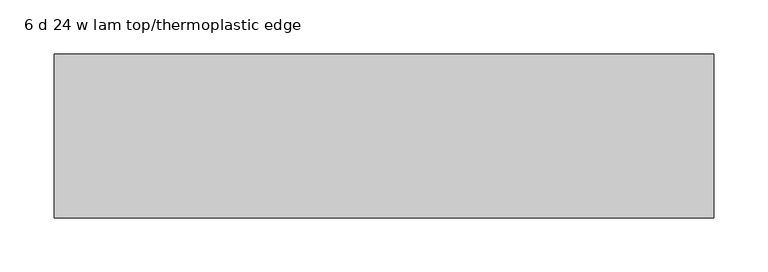
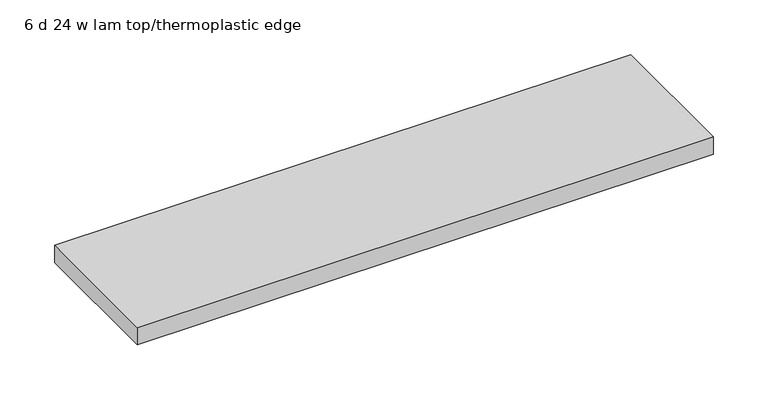
"""IFC4 building model written with IfcOpenShell, lengths in millimetres: furniture geometry, 6 d 24 w lam top/thermoplastic edge."""

import ifcopenshell
import ifcopenshell.guid

model = None  # the IFC model being written
_history = None  # IfcOwnerHistory: only IFC2X3 demands one
_inside = {}  # id of a spatial element -> (the spatial element, [elements in it])
_under = {}  # id of a project, library or spatial element -> (it, [spatial elements below it])
_declared = {}  # id of a project -> (the project, [libraries it declares])
_typed = {}  # id of a type object -> (the type object, [elements of that type])
_made_of = {}  # id of a material, layer set ... -> (it, [elements and type objects made of it])


def new_model(schema):
    """Start an empty IFC model of exactly this schema.

    Asked for "IFC4X3", IfcOpenShell would pick the latest addendum, in which some entities
    have other attributes; the version numbers below select the first issue.
    IFC2X3 requires an IfcOwnerHistory on every rooted entity: one is made here for all.
    """
    global model, _history
    if schema == "IFC4X3":
        model = ifcopenshell.file(schema_version=(4, 3, 0, 0))
    else:
        model = ifcopenshell.file(schema=schema)
    _inside.clear()
    _under.clear()
    _declared.clear()
    _typed.clear()
    _made_of.clear()
    _history = None
    if model.schema == "IFC2X3":
        org = make("IfcOrganization", Name="unknown")
        user = make(
            "IfcPersonAndOrganization",
            ThePerson=make("IfcPerson", FamilyName="unknown"),
            TheOrganization=org,
        )
        app = make(
            "IfcApplication",
            ApplicationDeveloper=org,
            Version="unknown",
            ApplicationFullName="unknown",
            ApplicationIdentifier="unknown",
        )
        _history = make(
            "IfcOwnerHistory",
            OwningUser=user,
            OwningApplication=app,
            ChangeAction="ADDED",
            CreationDate=0,
        )
    return model


def make(cls, **values):
    """One entity of the class cls with the attributes given. An attribute that is None is left unset."""
    return model.create_entity(
        cls, **{name: value for name, value in values.items() if value is not None}
    )


def rooted(cls, **values):
    """An entity with a GlobalId (a new one), such as an element, a storey or a relation."""
    return make(cls, GlobalId=ifcopenshell.guid.new(), OwnerHistory=_history, **values)


def si_unit(unit_type, name, prefix=None):
    """IfcSIUnit, for example si_unit("LENGTHUNIT", "METRE", prefix="MILLI")."""
    return make("IfcSIUnit", UnitType=unit_type, Prefix=prefix, Name=name)


def assignment(units):
    """IfcUnitAssignment: the units of a project."""
    return None if units is None else make("IfcUnitAssignment", Units=units)


def point(xyz):
    """IfcCartesianPoint."""
    return None if xyz is None else make("IfcCartesianPoint", Coordinates=xyz)


def direction(xyz):
    """IfcDirection."""
    return None if xyz is None else make("IfcDirection", DirectionRatios=xyz)


def frame(location, z_axis=None, x_axis=None):
    """IfcAxis2Placement3D, a coordinate frame: its origin and axes. An axis left out is left unset."""
    return make(
        "IfcAxis2Placement3D",
        Location=point(location),
        Axis=direction(z_axis),
        RefDirection=direction(x_axis),
    )


def origin():
    """The frame at (0, 0, 0) with its axes left unset."""
    return frame((0.0, 0.0, 0.0))


def place(relative_to, where):
    """IfcLocalPlacement: puts the frame where relative to a parent placement (None: the world)."""
    return make(
        "IfcLocalPlacement", PlacementRelTo=relative_to, RelativePlacement=where
    )


def context(
    kind, dimensions, precision=None, world=None, true_north=None, identifier=None
):
    """IfcGeometricRepresentationContext, for example the 3D "Model" context."""
    return make(
        "IfcGeometricRepresentationContext",
        ContextIdentifier=identifier,
        ContextType=kind,
        CoordinateSpaceDimension=dimensions,
        Precision=precision,
        WorldCoordinateSystem=world,
        TrueNorth=true_north,
    )


def project(units=None, contexts=None):
    """IfcProject with its units and contexts."""
    return rooted(
        "IfcProject",
        Name="project",
        RepresentationContexts=contexts,
        UnitsInContext=assignment(units),
    )


def spatial(cls, under=None, at=None, **own):
    """A site, building, storey or space (cls), placed at a placement, below another one or the project."""
    s = rooted(cls, ObjectPlacement=at, **own)
    if under is not None:
        _under.setdefault(under.id(), (under, []))[1].append(s)
    return s


def polyline(points):
    """IfcPolyline through the points."""
    return make("IfcPolyline", Points=[point(p) for p in points])


def circle_curve(where, radius):
    """IfcCircle in the frame where."""
    return make("IfcCircle", Position=where, Radius=radius)


def outline(outer, holes=None, kind="AREA"):
    """IfcArbitraryClosedProfileDef: a profile drawn as a closed curve; with holes, ...WithVoids."""
    if holes is None:
        return make("IfcArbitraryClosedProfileDef", ProfileType=kind, OuterCurve=outer)
    return make(
        "IfcArbitraryProfileDefWithVoids",
        ProfileType=kind,
        OuterCurve=outer,
        InnerCurves=holes,
    )


def extrude(swept, where, along, depth):
    """IfcExtrudedAreaSolid: the profile swept, set in the frame where, extruded along a direction by depth."""
    return make(
        "IfcExtrudedAreaSolid",
        SweptArea=swept,
        Position=where,
        ExtrudedDirection=direction(along),
        Depth=depth,
    )


def shape(context_of_items, identifier, shape_type, items):
    """IfcShapeRepresentation: the items that make up one representation, for example the "Body"."""
    return make(
        "IfcShapeRepresentation",
        ContextOfItems=context_of_items,
        RepresentationIdentifier=identifier,
        RepresentationType=shape_type,
        Items=items,
    )


def source(mapping_origin, context_of_items, identifier, shape_type, items):
    """IfcRepresentationMap: a shape defined once, which mapped items show again and again."""
    return make(
        "IfcRepresentationMap",
        MappingOrigin=mapping_origin,
        MappedRepresentation=shape(context_of_items, identifier, shape_type, items),
    )


def transform(
    local_origin,
    x_axis=None,
    y_axis=None,
    z_axis=None,
    scale=None,
    scale2=None,
    scale3=None,
    uniform=True,
):
    """IfcCartesianTransformationOperator3D, or its non-uniform kind. x_axis, y_axis, z_axis: its Axis1, 2, 3."""
    if uniform:
        return make(
            "IfcCartesianTransformationOperator3D",
            Axis1=direction(x_axis),
            Axis2=direction(y_axis),
            LocalOrigin=point(local_origin),
            Scale=scale,
            Axis3=direction(z_axis),
        )
    return make(
        "IfcCartesianTransformationOperator3DnonUniform",
        Axis1=direction(x_axis),
        Axis2=direction(y_axis),
        LocalOrigin=point(local_origin),
        Scale=scale,
        Axis3=direction(z_axis),
        Scale2=scale2,
        Scale3=scale3,
    )


def mapped(mapping_source, mapping_target):
    """IfcMappedItem: shows the shape of a source again, moved by a transform."""
    return make(
        "IfcMappedItem", MappingSource=mapping_source, MappingTarget=mapping_target
    )


def made_of(thing, what):
    """Note that an element or type object is made of a material, layer set ...; save() writes the relation."""
    if what is not None:
        _made_of.setdefault(what.id(), (what, []))[1].append(thing)
    return thing


def element(
    cls,
    number,
    at=None,
    inside=None,
    cuts=None,
    type_object=None,
    material=None,
    context=None,
    identifier="Body",
    shape_type=None,
    held_by="IfcProductDefinitionShape",
    body=None,
    shapes=None,
    **own,
):
    """One element of the class cls, such as IfcWall. Its Tag is "e" and its number.

    at: its placement. inside: the storey or other place that contains it. cuts: it is an
    opening in that element (IfcRelVoidsElement). A single representation is given by context,
    identifier, shape_type and body (its items); several are given by shapes. held_by: the class
    of the entity that holds the representations. save() writes the other relations.
    """
    e = rooted(cls, Tag="e%d" % number, ObjectPlacement=at, **own)
    if body is not None:
        shapes = [shape(context, identifier, shape_type, body)]
    if shapes is not None:
        e.Representation = make(held_by, Representations=shapes)
    if inside is not None:
        _inside.setdefault(inside.id(), (inside, []))[1].append(e)
    if cuts is not None:
        rooted(
            "IfcRelVoidsElement", RelatingBuildingElement=cuts, RelatedOpeningElement=e
        )
    if type_object is not None:
        _typed.setdefault(type_object.id(), (type_object, []))[1].append(e)
    return made_of(e, material)


def aggregate(whole, parts):
    """IfcRelAggregates: a whole, such as a stair, and the parts it consists of."""
    return rooted("IfcRelAggregates", RelatingObject=whole, RelatedObjects=parts)


def save(model, path):
    """Write the relations noted so far, then the file.

    IfcRelAggregates (storeys below a building ...), IfcRelContainedInSpatialStructure (elements
    in a storey), IfcRelDefinesByType, IfcRelAssociatesMaterial and IfcRelDeclares: one each for
    every whole, place, type object, material and project.
    """
    for whole, parts in _under.values():
        aggregate(whole, parts)
    for where, things in _inside.values():
        rooted(
            "IfcRelContainedInSpatialStructure",
            RelatedElements=things,
            RelatingStructure=where,
        )
    for kind, things in _typed.values():
        rooted("IfcRelDefinesByType", RelatedObjects=things, RelatingType=kind)
    for what, things in _made_of.values():
        rooted("IfcRelAssociatesMaterial", RelatedObjects=things, RelatingMaterial=what)
    for by, libraries in _declared.values():
        rooted("IfcRelDeclares", RelatingContext=by, RelatedDefinitions=libraries)
    model.write(path)


def plane_surface(at):
    """IfcPlane: the flat surface through the origin of the frame at, square to its z axis."""
    return make("IfcPlane", Position=at)


def cylinder_surface(at, radius):
    """IfcCylindricalSurface: all points at the distance radius from the z axis of the frame at."""
    return make("IfcCylindricalSurface", Position=at, Radius=radius)


def advanced_brep(points, edges, surfaces, faces):
    """IfcAdvancedBrep: a solid bounded by faces that lie on surfaces and meet in shared edges.

    An edge is (start, end): straight between two places in points (the first is 0);
    or (start, end, curve); or (start, end, curve, False) where it runs against its curve.
    A face is (place in surfaces, loops), or (place, loops, False) where it looks against
    its surface's normal. A loop lists edges by number (the first is 1), with a minus sign
    where the edge is run from its end to its start. The first loop is the outer one.
    """
    corners = [point(p) for p in points]
    vertices = [make("IfcVertexPoint", VertexGeometry=c) for c in corners]
    made = []
    for start, end, *more in edges:
        made.append(
            make(
                "IfcEdgeCurve",
                EdgeStart=vertices[start],
                EdgeEnd=vertices[end],
                EdgeGeometry=more[0] if more else make("IfcPolyline", Points=[corners[start], corners[end]]),
                SameSense=more[1] if len(more) > 1 else True,
            )
        )
    hull = []
    for where, loops, *sense in faces:
        bounds = []
        for j, loop in enumerate(loops):
            ring = [make("IfcOrientedEdge", EdgeElement=made[abs(k) - 1], Orientation=k > 0) for k in loop]
            bounds.append(
                make(
                    "IfcFaceOuterBound" if j == 0 else "IfcFaceBound",
                    Bound=make("IfcEdgeLoop", EdgeList=ring),
                    Orientation=True,
                )
            )
        hull.append(make("IfcAdvancedFace", Bounds=bounds, FaceSurface=surfaces[where], SameSense=sense[0] if sense else True))
    return make("IfcAdvancedBrep", Outer=make("IfcClosedShell", CfsFaces=hull))


def furniture_6_d_24_w_lam_top_thermoplastic_edge_91fc5416(model_context):
    return source(origin(), model_context, "Body", "SolidModel", [
        advanced_brep(
        [(56.9043119, -66.675, 675.8945726), (39.6381329, -66.675, 675.8945726), (38.1, -65.1368671, 675.8945726), (38.1, 65.1368671, 675.8945726), (39.6381329, 66.675, 675.8945726), (56.9043119, 66.675, 675.8945726), (58.4199988, 65.1593131, 675.8945726), (58.4199988, -65.1593131, 675.8945726), (45.2146502, 53.5088115, 675.8945726), (45.2146502, 39.4551862, 675.8945726), (51.3053486, 39.4551862, 675.8945726), (51.3053486, 53.5088115, 675.8945726), (45.2146502, -53.5088115, 675.8945726), (51.3053486, -53.5088115, 675.8945726), (51.3053486, -39.4551862, 675.8945726), (45.2146502, -39.4551862, 675.8945726), (38.3203123, 7.5906778, 675.8945726), (38.3203123, -7.5906778, 675.8945726), (58.1814005, -7.5906778, 675.8945726), (58.1814005, 7.5906778, 675.8945726), (56.9043119, -66.675, 682.2446211), (58.4199988, -65.1593131, 682.2446211), (58.4199988, 65.1593131, 682.2446211), (56.9043119, 66.675, 682.2446211), (39.6381329, 66.675, 682.2446211), (38.1, 65.1368671, 682.2446211), (38.1, -65.1368671, 682.2446211), (39.6381329, -66.675, 682.2446211), (45.2146502, 53.5088115, 665.9945955), (51.3053486, 53.5088115, 665.9945955), (51.3053486, 39.4551862, 665.9945955), (45.2146502, 39.4551862, 665.9945955), (45.2146502, -53.5088115, 665.9945955), (45.2146502, -39.4551862, 665.9945955), (51.3053486, -39.4551862, 665.9945955), (51.3053486, -53.5088115, 665.9945955), (38.3203123, 6.8479071, 667.9597372), (38.3203123, 5.8485166, 666.9946072), (38.3203123, -5.8485166, 666.9946072), (38.3203123, -6.8479071, 667.9597372), (38.3203123, -7.1081491, 675.412044), (38.3203123, 7.1081491, 675.412044), (58.1814005, 6.8479071, 667.9597372), (58.1814005, 7.1081491, 675.412044), (58.1814005, -7.1081491, 675.412044), (58.1814005, -6.8479071, 667.9597372), (58.1814005, -5.8485166, 666.9946072), (58.1814005, 5.8485166, 666.9946072)],
        [
            (0, 1),
            (1, 2, circle_curve(frame((39.6381329, -65.1368671, 675.8945726), z_axis=(0.0, 0.0, -1.0), x_axis=(-1.0, 0.0, 0.0)), 1.5381329)),
            (2, 3),
            (3, 4, circle_curve(frame((39.6381329, 65.1368671, 675.8945726), z_axis=(0.0, 0.0, -1.0), x_axis=(-1.0, 0.0, 0.0)), 1.5381329)),
            (4, 5),
            (5, 6, circle_curve(frame((56.9043119, 65.1593131, 675.8945726), z_axis=(0.0, 0.0, -1.0), x_axis=(-1.0, 0.0, 0.0)), 1.5156869)),
            (6, 7),
            (7, 0, circle_curve(frame((56.9043119, -65.1593131, 675.8945726), z_axis=(0.0, 0.0, -1.0), x_axis=(-1.0, 0.0, 0.0)), 1.5156869)),
            (8, 9, circle_curve(frame((48.2600014, 46.4819988, 675.8945726), z_axis=(0.0, 0.0, 1.0), x_axis=(-1.0, 0.0, 0.0)), 7.6583457)),
            (9, 10),
            (10, 11, circle_curve(frame((48.2599974, 46.4819988, 675.8945726), z_axis=(0.0, 0.0, 1.0), x_axis=(-1.0, 0.0, 0.0)), 7.6583457)),
            (11, 8),
            (12, 13),
            (13, 14, circle_curve(frame((48.2599974, -46.4819988, 675.8945726), z_axis=(0.0, 0.0, 1.0), x_axis=(-1.0, 0.0, 0.0)), 7.6583457)),
            (14, 15),
            (15, 12, circle_curve(frame((48.2600014, -46.4819988, 675.8945726), z_axis=(0.0, 0.0, 1.0), x_axis=(-1.0, 0.0, 0.0)), 7.6583457)),
            (16, 17),
            (17, 18),
            (18, 19),
            (19, 16),
            (20, 21, circle_curve(frame((56.9043119, -65.1593131, 682.2446211), z_axis=(0.0, 0.0, 1.0), x_axis=(-1.0, 0.0, 0.0)), 1.5156869)),
            (21, 22),
            (22, 23, circle_curve(frame((56.9043119, 65.1593131, 682.2446211), z_axis=(0.0, 0.0, 1.0), x_axis=(-1.0, 0.0, 0.0)), 1.5156869)),
            (23, 24),
            (24, 25, circle_curve(frame((39.6381329, 65.1368671, 682.2446211), z_axis=(0.0, 0.0, 1.0), x_axis=(-1.0, 0.0, 0.0)), 1.5381329)),
            (25, 26),
            (26, 27, circle_curve(frame((39.6381329, -65.1368671, 682.2446211), z_axis=(0.0, 0.0, 1.0), x_axis=(-1.0, 0.0, 0.0)), 1.5381329)),
            (27, 20),
            (7, 21),
            (20, 0),
            (6, 22),
            (5, 23),
            (4, 24),
            (3, 25),
            (2, 26),
            (1, 27),
            (28, 29),
            (29, 30, circle_curve(frame((48.2599974, 46.4819988, 665.9945955), z_axis=(0.0, 0.0, -1.0), x_axis=(-1.0, 0.0, 0.0)), 7.6583457)),
            (30, 31),
            (31, 28, circle_curve(frame((48.2600014, 46.4819988, 665.9945955), z_axis=(0.0, 0.0, -1.0), x_axis=(-1.0, 0.0, 0.0)), 7.6583457)),
            (32, 33, circle_curve(frame((48.2600014, -46.4819988, 665.9945955), z_axis=(0.0, 0.0, -1.0), x_axis=(-1.0, 0.0, 0.0)), 7.6583457)),
            (33, 34),
            (34, 35, circle_curve(frame((48.2599974, -46.4819988, 665.9945955), z_axis=(0.0, 0.0, -1.0), x_axis=(-1.0, 0.0, 0.0)), 7.6583457)),
            (35, 32),
            (31, 9),
            (8, 28),
            (30, 10),
            (29, 11),
            (35, 13),
            (12, 32),
            (34, 14),
            (33, 15),
            (36, 37),
            (37, 38),
            (38, 39),
            (39, 40),
            (40, 17),
            (16, 41),
            (41, 36),
            (42, 43),
            (43, 19),
            (18, 44),
            (44, 45),
            (45, 46),
            (46, 47),
            (47, 42),
            (36, 42),
            (47, 37),
            (46, 38),
            (45, 39),
            (44, 40),
            (43, 41),
        ],
        [
            plane_surface(frame((55.388625, -65.1593131, 675.8945726), z_axis=(0.0, 0.0, -1.0), x_axis=(0.0, 1.0, 0.0))),
            plane_surface(frame((55.388625, -65.1593131, 682.2446211), z_axis=(0.0, 0.0, 1.0), x_axis=(0.0, -1.0, 0.0))),
            cylinder_surface(frame((56.9043119, -65.1593131, 675.8945726), z_axis=(0.0, 0.0, 1.0), x_axis=(-1.0, 0.0, 0.0)), 1.5156869),
            plane_surface(frame((58.4199988, -65.1593131, 682.2446211), z_axis=(1.0, 0.0, 0.0), x_axis=(0.0, 0.0, -1.0))),
            cylinder_surface(frame((56.9043119, 65.1593131, 675.8945726), z_axis=(0.0, 0.0, 1.0), x_axis=(-1.0, 0.0, 0.0)), 1.5156869),
            plane_surface(frame((56.9043119, 66.675, 682.2446211), z_axis=(0.0, 1.0, 0.0), x_axis=(0.0, 0.0, -1.0))),
            cylinder_surface(frame((39.6381329, 65.1368671, 675.8945726), z_axis=(0.0, 0.0, 1.0), x_axis=(-1.0, 0.0, 0.0)), 1.5381329),
            plane_surface(frame((38.1, 65.1368671, 682.2446211), z_axis=(-1.0, 0.0, 0.0), x_axis=(0.0, 0.0, -1.0))),
            cylinder_surface(frame((39.6381329, -65.1368671, 675.8945726), z_axis=(0.0, 0.0, 1.0), x_axis=(-1.0, 0.0, 0.0)), 1.5381329),
            plane_surface(frame((39.6381329, -66.675, 682.2446211), z_axis=(0.0, -1.0, 0.0), x_axis=(0.0, 0.0, -1.0))),
            plane_surface(frame((40.6016556, 46.4819988, 665.9945955), z_axis=(0.0, 0.0, -1.0), x_axis=(0.0, 1.0, 0.0))),
            cylinder_surface(frame((48.2600014, 46.4819988, 665.9945955), z_axis=(0.0, 0.0, 1.0), x_axis=(-1.0, 0.0, 0.0)), 7.6583457),
            plane_surface(frame((45.2146502, 39.4551862, 682.2446211), z_axis=(0.0, -1.0, 0.0), x_axis=(0.0, 0.0, -1.0))),
            cylinder_surface(frame((48.2599974, 46.4819988, 665.9945955), z_axis=(0.0, 0.0, 1.0), x_axis=(-1.0, 0.0, 0.0)), 7.6583457),
            plane_surface(frame((51.3053486, 53.5088115, 682.2446211), z_axis=(0.0, 1.0, 0.0), x_axis=(0.0, 0.0, -1.0))),
            plane_surface(frame((45.2146502, -53.5088115, 682.2446211), z_axis=(0.0, -1.0, 0.0), x_axis=(0.0, 0.0, -1.0))),
            cylinder_surface(frame((48.2599974, -46.4819988, 682.2446211), z_axis=(0.0, 0.0, 1.0), x_axis=(-1.0, 0.0, 0.0)), 7.6583457),
            plane_surface(frame((51.3053486, -39.4551862, 682.2446211), z_axis=(0.0, 1.0, 0.0), x_axis=(0.0, 0.0, -1.0))),
            cylinder_surface(frame((48.2600014, -46.4819988, 682.2446211), z_axis=(0.0, 0.0, 1.0), x_axis=(-1.0, 0.0, 0.0)), 7.6583457),
            plane_surface(frame((38.3203123, 5.8485166, 666.9946072), z_axis=(-1.0, 0.0, 0.0), x_axis=(0.0, -0.7193290739324713, -0.6946694778061387))),
            plane_surface(frame((58.1814005, 5.8485166, 666.9946072), z_axis=(1.0, 0.0, 0.0), x_axis=(0.0, 0.7193290739324713, 0.6946694778061387))),
            plane_surface(frame((38.3203123, 6.8479071, 667.9597372), z_axis=(0.0, 0.6946694778061387, -0.7193290739324713), x_axis=(1.0, 0.0, 0.0))),
            plane_surface(frame((38.3203123, 5.8485166, 666.9946072), z_axis=(0.0, 0.0, -1.0), x_axis=(1.0, 0.0, 0.0))),
            plane_surface(frame((38.3203123, -5.8485166, 666.9946072), z_axis=(0.0, -0.6946694778061387, -0.7193290739324713), x_axis=(1.0, 0.0, 0.0))),
            plane_surface(frame((38.3203123, -6.8479071, 667.9597372), z_axis=(0.0, -0.9993908190224847, -0.0348997256947267), x_axis=(1.0, 0.0, 0.0))),
            plane_surface(frame((38.3203123, -7.1081491, 675.412044), z_axis=(0.0, -0.7071067811865376, -0.7071067811865576), x_axis=(1.0, 0.0, 0.0))),
            plane_surface(frame((38.3203123, 8.0809822, 676.384877), z_axis=(0.0, 0.7071067811865414, -0.7071067811865537), x_axis=(1.0, 0.0, 0.0))),
            plane_surface(frame((38.3203123, 7.1081491, 675.412044), z_axis=(0.0, 0.9993908190224848, -0.034899725694726644), x_axis=(1.0, 0.0, 0.0))),
        ],
        [
            (0, [[1, 2, 3, 4, 5, 6, 7, 8], [9, 10, 11, 12], [13, 14, 15, 16], [17, 18, 19, 20]]),
            (1, [[21, 22, 23, 24, 25, 26, 27, 28]]),
            (2, [[-8, 29, -21, 30]]),
            (3, [[-7, 31, -22, -29]]),
            (4, [[-6, 32, -23, -31]]),
            (5, [[-5, 33, -24, -32]]),
            (6, [[-4, 34, -25, -33]]),
            (7, [[-3, 35, -26, -34]]),
            (8, [[-2, 36, -27, -35]]),
            (9, [[-1, -30, -28, -36]]),
            (10, [[37, 38, 39, 40]]),
            (10, [[41, 42, 43, 44]]),
            (11, [[-40, 45, -9, 46]]),
            (12, [[-39, 47, -10, -45]]),
            (13, [[-38, 48, -11, -47]]),
            (14, [[-37, -46, -12, -48]]),
            (15, [[-44, 49, -13, 50]]),
            (16, [[-43, 51, -14, -49]]),
            (17, [[-42, 52, -15, -51]]),
            (18, [[-41, -50, -16, -52]]),
            (19, [[53, 54, 55, 56, 57, -17, 58, 59]]),
            (20, [[60, 61, -19, 62, 63, 64, 65, 66]]),
            (21, [[-53, 67, -66, 68]]),
            (22, [[-54, -68, -65, 69]]),
            (23, [[-55, -69, -64, 70]]),
            (24, [[-56, -70, -63, 71]]),
            (25, [[-71, -62, -18, -57]]),
            (26, [[72, -58, -20, -61]]),
            (27, [[-59, -72, -60, -67]]),
        ],
    ),
        advanced_brep(
        [(552.6956881, -66.675, 675.8945726), (551.1800012, -65.1593131, 675.8945726), (551.1800012, 65.1593131, 675.8945726), (552.6956881, 66.675, 675.8945726), (569.9618671, 66.675, 675.8945726), (571.5, 65.1368671, 675.8945726), (571.5, -65.1368671, 675.8945726), (569.9618671, -66.675, 675.8945726), (564.3853498, 53.5088115, 675.8945726), (558.2946514, 53.5088115, 675.8945726), (558.2946514, 39.4551862, 675.8945726), (564.3853498, 39.4551862, 675.8945726), (564.3853498, -53.5088115, 675.8945726), (564.3853498, -39.4551862, 675.8945726), (558.2946514, -39.4551862, 675.8945726), (558.2946514, -53.5088115, 675.8945726), (571.2796877, -7.5906778, 675.8945726), (571.2796877, 7.5906778, 675.8945726), (551.4185995, 7.5906778, 675.8945726), (551.4185995, -7.5906778, 675.8945726), (552.6956881, -66.675, 682.2446211), (569.9618671, -66.675, 682.2446211), (571.5, -65.1368671, 682.2446211), (571.5, 65.1368671, 682.2446211), (569.9618671, 66.675, 682.2446211), (552.6956881, 66.675, 682.2446211), (551.1800012, 65.1593131, 682.2446211), (551.1800012, -65.1593131, 682.2446211), (564.3853498, 53.5088115, 665.9945955), (564.3853498, 39.4551862, 665.9945955), (558.2946514, 39.4551862, 665.9945955), (558.2946514, 53.5088115, 665.9945955), (564.3853498, -53.5088115, 665.9945955), (558.2946514, -53.5088115, 665.9945955), (558.2946514, -39.4551862, 665.9945955), (564.3853498, -39.4551862, 665.9945955), (571.2796877, 6.8479071, 667.9597372), (571.2796877, 7.1081491, 675.412044), (571.2796877, -7.1081491, 675.412044), (571.2796877, -6.8479071, 667.9597372), (571.2796877, -5.8485166, 666.9946072), (571.2796877, 5.8485166, 666.9946072), (551.4185995, 6.8479071, 667.9597372), (551.4185995, 5.8485166, 666.9946072), (551.4185995, -5.8485166, 666.9946072), (551.4185995, -6.8479071, 667.9597372), (551.4185995, -7.1081491, 675.412044), (551.4185995, 7.1081491, 675.412044)],
        [
            (0, 1, circle_curve(frame((552.6956881, -65.1593131, 675.8945726), z_axis=(0.0, 0.0, -1.0), x_axis=(-1.0, 0.0, 0.0)), 1.5156869)),
            (1, 2),
            (2, 3, circle_curve(frame((552.6956881, 65.1593131, 675.8945726), z_axis=(0.0, 0.0, -1.0), x_axis=(-1.0, 0.0, 0.0)), 1.5156869)),
            (3, 4),
            (4, 5, circle_curve(frame((569.9618671, 65.1368671, 675.8945726), z_axis=(0.0, 0.0, -1.0), x_axis=(-1.0, 0.0, 0.0)), 1.5381329)),
            (5, 6),
            (6, 7, circle_curve(frame((569.9618671, -65.1368671, 675.8945726), z_axis=(0.0, 0.0, -1.0), x_axis=(-1.0, 0.0, 0.0)), 1.5381329)),
            (7, 0),
            (8, 9),
            (9, 10, circle_curve(frame((561.3400026, 46.4819988, 675.8945726), z_axis=(0.0, 0.0, 1.0), x_axis=(-1.0, 0.0, 0.0)), 7.6583457)),
            (10, 11),
            (11, 8, circle_curve(frame((561.3399986, 46.4819988, 675.8945726), z_axis=(0.0, 0.0, 1.0), x_axis=(-1.0, 0.0, 0.0)), 7.6583457)),
            (12, 13, circle_curve(frame((561.3399986, -46.4819988, 675.8945726), z_axis=(0.0, 0.0, 1.0), x_axis=(-1.0, 0.0, 0.0)), 7.6583457)),
            (13, 14),
            (14, 15, circle_curve(frame((561.3400026, -46.4819988, 675.8945726), z_axis=(0.0, 0.0, 1.0), x_axis=(-1.0, 0.0, 0.0)), 7.6583457)),
            (15, 12),
            (16, 17),
            (17, 18),
            (18, 19),
            (19, 16),
            (20, 21),
            (21, 22, circle_curve(frame((569.9618671, -65.1368671, 682.2446211), z_axis=(0.0, 0.0, 1.0), x_axis=(-1.0, 0.0, 0.0)), 1.5381329)),
            (22, 23),
            (23, 24, circle_curve(frame((569.9618671, 65.1368671, 682.2446211), z_axis=(0.0, 0.0, 1.0), x_axis=(-1.0, 0.0, 0.0)), 1.5381329)),
            (24, 25),
            (25, 26, circle_curve(frame((552.6956881, 65.1593131, 682.2446211), z_axis=(0.0, 0.0, 1.0), x_axis=(-1.0, 0.0, 0.0)), 1.5156869)),
            (26, 27),
            (27, 20, circle_curve(frame((552.6956881, -65.1593131, 682.2446211), z_axis=(0.0, 0.0, 1.0), x_axis=(-1.0, 0.0, 0.0)), 1.5156869)),
            (7, 21),
            (20, 0),
            (6, 22),
            (5, 23),
            (4, 24),
            (3, 25),
            (2, 26),
            (1, 27),
            (28, 29, circle_curve(frame((561.3399986, 46.4819988, 665.9945955), z_axis=(0.0, 0.0, -1.0), x_axis=(-1.0, 0.0, 0.0)), 7.6583457)),
            (29, 30),
            (30, 31, circle_curve(frame((561.3400026, 46.4819988, 665.9945955), z_axis=(0.0, 0.0, -1.0), x_axis=(-1.0, 0.0, 0.0)), 7.6583457)),
            (31, 28),
            (32, 33),
            (33, 34, circle_curve(frame((561.3400026, -46.4819988, 665.9945955), z_axis=(0.0, 0.0, -1.0), x_axis=(-1.0, 0.0, 0.0)), 7.6583457)),
            (34, 35),
            (35, 32, circle_curve(frame((561.3399986, -46.4819988, 665.9945955), z_axis=(0.0, 0.0, -1.0), x_axis=(-1.0, 0.0, 0.0)), 7.6583457)),
            (31, 9),
            (8, 28),
            (30, 10),
            (29, 11),
            (35, 13),
            (12, 32),
            (34, 14),
            (33, 15),
            (36, 37),
            (37, 17),
            (16, 38),
            (38, 39),
            (39, 40),
            (40, 41),
            (41, 36),
            (42, 43),
            (43, 44),
            (44, 45),
            (45, 46),
            (46, 19),
            (18, 47),
            (47, 42),
            (41, 43),
            (42, 36),
            (40, 44),
            (39, 45),
            (38, 46),
            (37, 47),
        ],
        [
            plane_surface(frame((55.388625, -65.1593131, 675.8945726), z_axis=(0.0, 0.0, -1.0), x_axis=(0.0, 1.0, 0.0))),
            plane_surface(frame((55.388625, -65.1593131, 682.2446211), z_axis=(0.0, 0.0, 1.0), x_axis=(0.0, -1.0, 0.0))),
            plane_surface(frame((552.6956881, -66.675, 682.2446211), z_axis=(0.0, -1.0, 0.0), x_axis=(0.0, 0.0, -1.0))),
            cylinder_surface(frame((569.9618671, -65.1368671, 682.2446211), z_axis=(0.0, 0.0, 1.0), x_axis=(-1.0, 0.0, 0.0)), 1.5381329),
            plane_surface(frame((571.5, -65.1368671, 682.2446211), z_axis=(1.0, 0.0, 0.0), x_axis=(0.0, 0.0, -1.0))),
            cylinder_surface(frame((569.9618671, 65.1368671, 682.2446211), z_axis=(0.0, 0.0, 1.0), x_axis=(-1.0, 0.0, 0.0)), 1.5381329),
            plane_surface(frame((569.9618671, 66.675, 682.2446211), z_axis=(0.0, 1.0, 0.0), x_axis=(0.0, 0.0, -1.0))),
            cylinder_surface(frame((552.6956881, 65.1593131, 682.2446211), z_axis=(0.0, 0.0, 1.0), x_axis=(-1.0, 0.0, 0.0)), 1.5156869),
            plane_surface(frame((551.1800012, 65.1593131, 682.2446211), z_axis=(-1.0, 0.0, 0.0), x_axis=(0.0, 0.0, -1.0))),
            cylinder_surface(frame((552.6956881, -65.1593131, 682.2446211), z_axis=(0.0, 0.0, 1.0), x_axis=(-1.0, 0.0, 0.0)), 1.5156869),
            plane_surface(frame((40.6016556, 46.4819988, 665.9945955), z_axis=(0.0, 0.0, -1.0), x_axis=(0.0, 1.0, 0.0))),
            plane_surface(frame((564.3853498, 53.5088115, 682.2446211), z_axis=(0.0, 1.0, 0.0), x_axis=(0.0, 0.0, -1.0))),
            cylinder_surface(frame((561.3400026, 46.4819988, 682.2446211), z_axis=(0.0, 0.0, 1.0), x_axis=(-1.0, 0.0, 0.0)), 7.6583457),
            plane_surface(frame((558.2946514, 39.4551862, 682.2446211), z_axis=(0.0, -1.0, 0.0), x_axis=(0.0, 0.0, -1.0))),
            cylinder_surface(frame((561.3399986, 46.4819988, 682.2446211), z_axis=(0.0, 0.0, 1.0), x_axis=(-1.0, 0.0, 0.0)), 7.6583457),
            cylinder_surface(frame((561.3399986, -46.4819988, 682.2446211), z_axis=(0.0, 0.0, 1.0), x_axis=(-1.0, 0.0, 0.0)), 7.6583457),
            plane_surface(frame((564.3853498, -39.4551862, 682.2446211), z_axis=(0.0, 1.0, 0.0), x_axis=(0.0, 0.0, -1.0))),
            cylinder_surface(frame((561.3400026, -46.4819988, 682.2446211), z_axis=(0.0, 0.0, 1.0), x_axis=(-1.0, 0.0, 0.0)), 7.6583457),
            plane_surface(frame((558.2946514, -53.5088115, 682.2446211), z_axis=(0.0, -1.0, 0.0), x_axis=(0.0, 0.0, -1.0))),
            plane_surface(frame((571.2796877, 7.1081491, 675.412044), z_axis=(1.0000000000000002, 0.0, 0.0), x_axis=(0.0, 0.034899725694726644, 0.9993908190224848))),
            plane_surface(frame((551.4185995, 7.1081491, 675.412044), z_axis=(-1.0000000000000002, 0.0, 0.0), x_axis=(0.0, -0.034899725694726644, -0.9993908190224848))),
            plane_surface(frame((571.2796877, 5.8485166, 666.9946072), z_axis=(0.0, 0.6946694778061387, -0.7193290739324713), x_axis=(-1.0, 0.0, 0.0))),
            plane_surface(frame((571.2796877, -5.8485166, 666.9946072), z_axis=(0.0, 0.0, -1.0), x_axis=(-1.0, 0.0, 0.0))),
            plane_surface(frame((571.2796877, -6.8479071, 667.9597372), z_axis=(0.0, -0.6946694778061387, -0.7193290739324713), x_axis=(-1.0, 0.0, 0.0))),
            plane_surface(frame((571.2796877, -7.1081491, 675.412044), z_axis=(0.0, -0.9993908190224847, -0.034899725694726984), x_axis=(-1.0, 0.0, 0.0))),
            plane_surface(frame((571.2796877, -8.0809822, 676.384877), z_axis=(0.0, -0.7071067811865384, -0.7071067811865568), x_axis=(-1.0, 0.0, 0.0))),
            plane_surface(frame((571.2796877, 7.1081491, 675.412044), z_axis=(0.0, 0.7071067811865387, -0.7071067811865565), x_axis=(-1.0, 0.0, 0.0))),
            plane_surface(frame((571.2796877, 6.8479071, 667.9597372), z_axis=(0.0, 0.9993908190224848, -0.034899725694726644), x_axis=(-1.0, 0.0, 0.0))),
        ],
        [
            (0, [[1, 2, 3, 4, 5, 6, 7, 8], [9, 10, 11, 12], [13, 14, 15, 16], [17, 18, 19, 20]]),
            (1, [[21, 22, 23, 24, 25, 26, 27, 28]]),
            (2, [[-8, 29, -21, 30]]),
            (3, [[-7, 31, -22, -29]]),
            (4, [[-6, 32, -23, -31]]),
            (5, [[-5, 33, -24, -32]]),
            (6, [[-4, 34, -25, -33]]),
            (7, [[-3, 35, -26, -34]]),
            (8, [[-2, 36, -27, -35]]),
            (9, [[-1, -30, -28, -36]]),
            (10, [[37, 38, 39, 40]]),
            (10, [[41, 42, 43, 44]]),
            (11, [[-40, 45, -9, 46]]),
            (12, [[-39, 47, -10, -45]]),
            (13, [[-38, 48, -11, -47]]),
            (14, [[-37, -46, -12, -48]]),
            (15, [[-44, 49, -13, 50]]),
            (16, [[-43, 51, -14, -49]]),
            (17, [[-42, 52, -15, -51]]),
            (18, [[-41, -50, -16, -52]]),
            (19, [[53, 54, -17, 55, 56, 57, 58, 59]]),
            (20, [[60, 61, 62, 63, 64, -19, 65, 66]]),
            (21, [[-59, 67, -60, 68]]),
            (22, [[-58, 69, -61, -67]]),
            (23, [[-57, 70, -62, -69]]),
            (24, [[-56, 71, -63, -70]]),
            (25, [[-71, -55, -20, -64]]),
            (26, [[72, -65, -18, -54]]),
            (27, [[-53, -68, -66, -72]]),
        ],
    ),
        extrude(outline(polyline([(609.6, 75.8199996), (609.6, -75.8199996), (0.0, -75.8199996), (0.0, 75.8199996), (609.6, 75.8199996)])), frame((0.0, 0.0, 682.2446211), z_axis=(0.0, 0.0, 1.0), x_axis=(1.0, 0.0, 0.0)), (0.0, 0.0, 1.0), 19.3039816),
    ])


if __name__ == "__main__":
    model = new_model("IFC4")
    model_context = context("Model", 3, world=origin())
    ifc_project = project(units=[si_unit("LENGTHUNIT", "METRE", prefix="MILLI")], contexts=[model_context])
    site = spatial("IfcSite", under=ifc_project)
    building = spatial("IfcBuilding", under=site)
    placement = place(None, origin())
    furniture_6_d_24_w_lam_top_thermoplastic_edge_shape = furniture_6_d_24_w_lam_top_thermoplastic_edge_91fc5416(model_context)
    element("IfcFurniture", 1, ObjectType="6 d 24 w lam top/thermoplastic edge", at=placement, inside=building, context=model_context, shape_type="MappedRepresentation", body=[
        mapped(furniture_6_d_24_w_lam_top_thermoplastic_edge_shape, transform((0.0, 0.0, 0.0), x_axis=(1.0, 0.0, 0.0), y_axis=(0.0, 1.0, 0.0), z_axis=(0.0, 0.0, 1.0))),
    ])
    save(model, "model.ifc")
